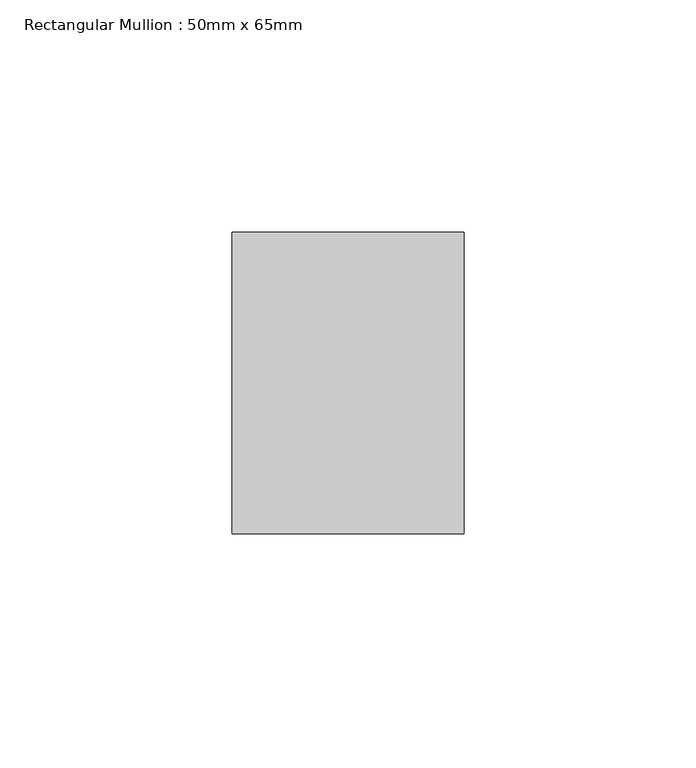
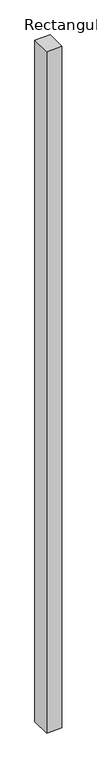
"""IFC4 building model written with IfcOpenShell, lengths in millimetres: member geometry, Rectangular Mullion : 50mm x 65mm."""

from ifc_helpers import new_model, si_unit, frame, origin, place, context, project, spatial, polyline, outline, extrude, source, transform, mapped, element, save


def rectangular_mullion_50mm_x_65mm_f6af92ff(model_context):
    return source(origin(), model_context, "Body", "SweptSolid", [
        extrude(outline(polyline([(25.0, 32.5), (25.0, -32.5), (-25.0, -32.5), (-25.0, 32.5), (25.0, 32.5)])), frame((0.0, 0.0, -2332.1779704), z_axis=(0.0, 0.0, 1.0), x_axis=(1.0, 0.0, 0.0)), (0.0, 0.0, 1.0), 2332.1779704),
    ])


if __name__ == "__main__":
    model = new_model("IFC4")
    model_context = context("Model", 3, world=origin())
    ifc_project = project(units=[si_unit("LENGTHUNIT", "METRE", prefix="MILLI")], contexts=[model_context])
    site = spatial("IfcSite", under=ifc_project)
    building = spatial("IfcBuilding", under=site)
    placement = place(None, origin())
    rectangular_mullion_50mm_x_65mm_shape = rectangular_mullion_50mm_x_65mm_f6af92ff(model_context)
    element("IfcMember", 1, ObjectType="Rectangular Mullion : 50mm x 65mm", at=placement, inside=building, context=model_context, shape_type="MappedRepresentation", body=[
        mapped(rectangular_mullion_50mm_x_65mm_shape, transform((0.0, 0.0, 0.0), x_axis=(1.0, 0.0, 0.0), y_axis=(0.0, 1.0, 0.0), z_axis=(0.0, 0.0, 1.0))),
    ])
    save(model, "model.ifc")
